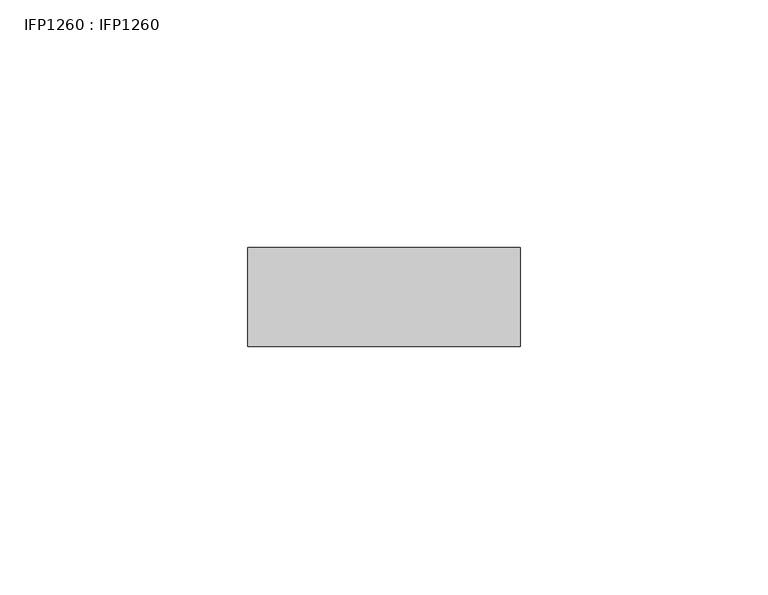
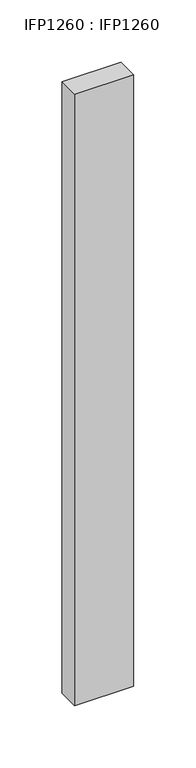
"""IFC4 building model written with IfcOpenShell, lengths in millimetres: proxy geometry, IFP1260 : IFP1260."""

import ifcopenshell
import ifcopenshell.guid

model = None  # the IFC model being written
_history = None  # IfcOwnerHistory: only IFC2X3 demands one
_inside = {}  # id of a spatial element -> (the spatial element, [elements in it])
_under = {}  # id of a project, library or spatial element -> (it, [spatial elements below it])
_declared = {}  # id of a project -> (the project, [libraries it declares])
_typed = {}  # id of a type object -> (the type object, [elements of that type])
_made_of = {}  # id of a material, layer set ... -> (it, [elements and type objects made of it])


def new_model(schema):
    """Start an empty IFC model of exactly this schema.

    Asked for "IFC4X3", IfcOpenShell would pick the latest addendum, in which some entities
    have other attributes; the version numbers below select the first issue.
    IFC2X3 requires an IfcOwnerHistory on every rooted entity: one is made here for all.
    """
    global model, _history
    if schema == "IFC4X3":
        model = ifcopenshell.file(schema_version=(4, 3, 0, 0))
    else:
        model = ifcopenshell.file(schema=schema)
    _inside.clear()
    _under.clear()
    _declared.clear()
    _typed.clear()
    _made_of.clear()
    _history = None
    if model.schema == "IFC2X3":
        org = make("IfcOrganization", Name="unknown")
        user = make(
            "IfcPersonAndOrganization",
            ThePerson=make("IfcPerson", FamilyName="unknown"),
            TheOrganization=org,
        )
        app = make(
            "IfcApplication",
            ApplicationDeveloper=org,
            Version="unknown",
            ApplicationFullName="unknown",
            ApplicationIdentifier="unknown",
        )
        _history = make(
            "IfcOwnerHistory",
            OwningUser=user,
            OwningApplication=app,
            ChangeAction="ADDED",
            CreationDate=0,
        )
    return model


def make(cls, **values):
    """One entity of the class cls with the attributes given. An attribute that is None is left unset."""
    return model.create_entity(
        cls, **{name: value for name, value in values.items() if value is not None}
    )


def rooted(cls, **values):
    """An entity with a GlobalId (a new one), such as an element, a storey or a relation."""
    return make(cls, GlobalId=ifcopenshell.guid.new(), OwnerHistory=_history, **values)


def si_unit(unit_type, name, prefix=None):
    """IfcSIUnit, for example si_unit("LENGTHUNIT", "METRE", prefix="MILLI")."""
    return make("IfcSIUnit", UnitType=unit_type, Prefix=prefix, Name=name)


def assignment(units):
    """IfcUnitAssignment: the units of a project."""
    return None if units is None else make("IfcUnitAssignment", Units=units)


def point(xyz):
    """IfcCartesianPoint."""
    return None if xyz is None else make("IfcCartesianPoint", Coordinates=xyz)


def direction(xyz):
    """IfcDirection."""
    return None if xyz is None else make("IfcDirection", DirectionRatios=xyz)


def frame(location, z_axis=None, x_axis=None):
    """IfcAxis2Placement3D, a coordinate frame: its origin and axes. An axis left out is left unset."""
    return make(
        "IfcAxis2Placement3D",
        Location=point(location),
        Axis=direction(z_axis),
        RefDirection=direction(x_axis),
    )


def origin():
    """The frame at (0, 0, 0) with its axes left unset."""
    return frame((0.0, 0.0, 0.0))


def origin_with_axes():
    """The frame at (0, 0, 0) with the z axis (0, 0, 1) and the x axis (1, 0, 0) written out."""
    return frame((0.0, 0.0, 0.0), z_axis=(0.0, 0.0, 1.0), x_axis=(1.0, 0.0, 0.0))


def place(relative_to, where):
    """IfcLocalPlacement: puts the frame where relative to a parent placement (None: the world)."""
    return make(
        "IfcLocalPlacement", PlacementRelTo=relative_to, RelativePlacement=where
    )


def context(
    kind, dimensions, precision=None, world=None, true_north=None, identifier=None
):
    """IfcGeometricRepresentationContext, for example the 3D "Model" context."""
    return make(
        "IfcGeometricRepresentationContext",
        ContextIdentifier=identifier,
        ContextType=kind,
        CoordinateSpaceDimension=dimensions,
        Precision=precision,
        WorldCoordinateSystem=world,
        TrueNorth=true_north,
    )


def project(units=None, contexts=None):
    """IfcProject with its units and contexts."""
    return rooted(
        "IfcProject",
        Name="project",
        RepresentationContexts=contexts,
        UnitsInContext=assignment(units),
    )


def spatial(cls, under=None, at=None, **own):
    """A site, building, storey or space (cls), placed at a placement, below another one or the project."""
    s = rooted(cls, ObjectPlacement=at, **own)
    if under is not None:
        _under.setdefault(under.id(), (under, []))[1].append(s)
    return s


def polyline(points):
    """IfcPolyline through the points."""
    return make("IfcPolyline", Points=[point(p) for p in points])


def outline(outer, holes=None, kind="AREA"):
    """IfcArbitraryClosedProfileDef: a profile drawn as a closed curve; with holes, ...WithVoids."""
    if holes is None:
        return make("IfcArbitraryClosedProfileDef", ProfileType=kind, OuterCurve=outer)
    return make(
        "IfcArbitraryProfileDefWithVoids",
        ProfileType=kind,
        OuterCurve=outer,
        InnerCurves=holes,
    )


def extrude(swept, where, along, depth):
    """IfcExtrudedAreaSolid: the profile swept, set in the frame where, extruded along a direction by depth."""
    return make(
        "IfcExtrudedAreaSolid",
        SweptArea=swept,
        Position=where,
        ExtrudedDirection=direction(along),
        Depth=depth,
    )


def shape(context_of_items, identifier, shape_type, items):
    """IfcShapeRepresentation: the items that make up one representation, for example the "Body"."""
    return make(
        "IfcShapeRepresentation",
        ContextOfItems=context_of_items,
        RepresentationIdentifier=identifier,
        RepresentationType=shape_type,
        Items=items,
    )


def source(mapping_origin, context_of_items, identifier, shape_type, items):
    """IfcRepresentationMap: a shape defined once, which mapped items show again and again."""
    return make(
        "IfcRepresentationMap",
        MappingOrigin=mapping_origin,
        MappedRepresentation=shape(context_of_items, identifier, shape_type, items),
    )


def transform(
    local_origin,
    x_axis=None,
    y_axis=None,
    z_axis=None,
    scale=None,
    scale2=None,
    scale3=None,
    uniform=True,
):
    """IfcCartesianTransformationOperator3D, or its non-uniform kind. x_axis, y_axis, z_axis: its Axis1, 2, 3."""
    if uniform:
        return make(
            "IfcCartesianTransformationOperator3D",
            Axis1=direction(x_axis),
            Axis2=direction(y_axis),
            LocalOrigin=point(local_origin),
            Scale=scale,
            Axis3=direction(z_axis),
        )
    return make(
        "IfcCartesianTransformationOperator3DnonUniform",
        Axis1=direction(x_axis),
        Axis2=direction(y_axis),
        LocalOrigin=point(local_origin),
        Scale=scale,
        Axis3=direction(z_axis),
        Scale2=scale2,
        Scale3=scale3,
    )


def mapped(mapping_source, mapping_target):
    """IfcMappedItem: shows the shape of a source again, moved by a transform."""
    return make(
        "IfcMappedItem", MappingSource=mapping_source, MappingTarget=mapping_target
    )


def made_of(thing, what):
    """Note that an element or type object is made of a material, layer set ...; save() writes the relation."""
    if what is not None:
        _made_of.setdefault(what.id(), (what, []))[1].append(thing)
    return thing


def element(
    cls,
    number,
    at=None,
    inside=None,
    cuts=None,
    type_object=None,
    material=None,
    context=None,
    identifier="Body",
    shape_type=None,
    held_by="IfcProductDefinitionShape",
    body=None,
    shapes=None,
    **own,
):
    """One element of the class cls, such as IfcWall. Its Tag is "e" and its number.

    at: its placement. inside: the storey or other place that contains it. cuts: it is an
    opening in that element (IfcRelVoidsElement). A single representation is given by context,
    identifier, shape_type and body (its items); several are given by shapes. held_by: the class
    of the entity that holds the representations. save() writes the other relations.
    """
    e = rooted(cls, Tag="e%d" % number, ObjectPlacement=at, **own)
    if body is not None:
        shapes = [shape(context, identifier, shape_type, body)]
    if shapes is not None:
        e.Representation = make(held_by, Representations=shapes)
    if inside is not None:
        _inside.setdefault(inside.id(), (inside, []))[1].append(e)
    if cuts is not None:
        rooted(
            "IfcRelVoidsElement", RelatingBuildingElement=cuts, RelatedOpeningElement=e
        )
    if type_object is not None:
        _typed.setdefault(type_object.id(), (type_object, []))[1].append(e)
    return made_of(e, material)


def aggregate(whole, parts):
    """IfcRelAggregates: a whole, such as a stair, and the parts it consists of."""
    return rooted("IfcRelAggregates", RelatingObject=whole, RelatedObjects=parts)


def save(model, path):
    """Write the relations noted so far, then the file.

    IfcRelAggregates (storeys below a building ...), IfcRelContainedInSpatialStructure (elements
    in a storey), IfcRelDefinesByType, IfcRelAssociatesMaterial and IfcRelDeclares: one each for
    every whole, place, type object, material and project.
    """
    for whole, parts in _under.values():
        aggregate(whole, parts)
    for where, things in _inside.values():
        rooted(
            "IfcRelContainedInSpatialStructure",
            RelatedElements=things,
            RelatingStructure=where,
        )
    for kind, things in _typed.values():
        rooted("IfcRelDefinesByType", RelatedObjects=things, RelatingType=kind)
    for what, things in _made_of.values():
        rooted("IfcRelAssociatesMaterial", RelatedObjects=things, RelatingMaterial=what)
    for by, libraries in _declared.values():
        rooted("IfcRelDeclares", RelatingContext=by, RelatedDefinitions=libraries)
    model.write(path)


def ifp1260_ifp1260_6e71a64d(model_context):
    return source(origin(), model_context, "Body", "SweptSolid", [
        extrude(outline(polyline([(55.0, 0.0), (55.0, -20.0), (0.0, -20.0), (0.0, 0.0), (55.0, 0.0)])), origin_with_axes(), (0.0, 0.0, 1.0), 600.0),
    ])


if __name__ == "__main__":
    model = new_model("IFC4")
    model_context = context("Model", 3, world=origin())
    ifc_project = project(units=[si_unit("LENGTHUNIT", "METRE", prefix="MILLI")], contexts=[model_context])
    site = spatial("IfcSite", under=ifc_project)
    building = spatial("IfcBuilding", under=site)
    placement = place(None, origin())
    ifp1260_ifp1260_shape = ifp1260_ifp1260_6e71a64d(model_context)
    element("IfcBuildingElementProxy", 1, Name="IFP1260 : IFP1260", ObjectType="IFP1260 : IFP1260", at=placement, inside=building, context=model_context, shape_type="MappedRepresentation", body=[
        mapped(ifp1260_ifp1260_shape, transform((0.0, 0.0, 0.0), x_axis=(1.0, 0.0, 0.0), y_axis=(0.0, 1.0, 0.0), z_axis=(0.0, 0.0, 1.0))),
    ])
    save(model, "model.ifc")
